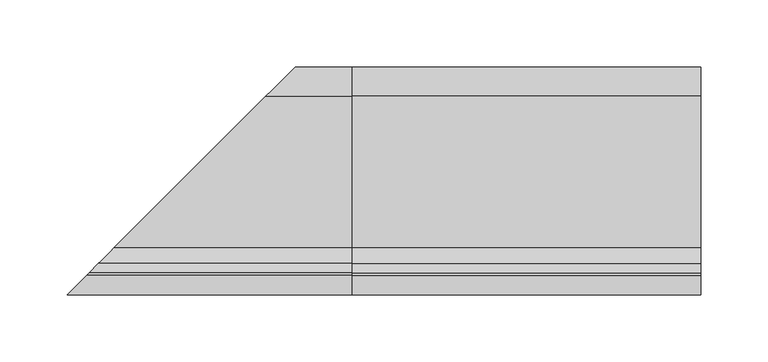
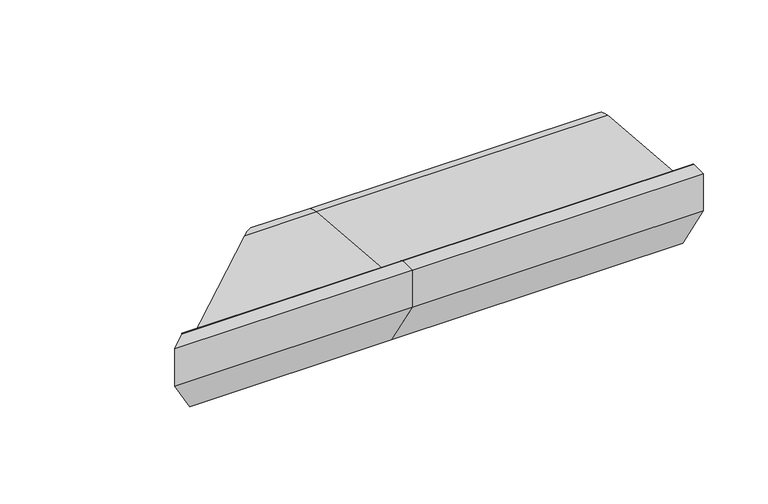
"""IFC4 building model written with IfcOpenShell, lengths in millimetres: proxy geometry."""

from ifc_helpers import new_model, si_unit, point, frame, frame_2d, origin, place, context, project, spatial, polyline, circle_curve, ellipse_curve, trimmed, segment, composite_curve, outline, extrude, source, transform, mapped, element, save
from ifc_brep_helpers import plane_surface, cylinder_surface, revolved_surface, advanced_brep


def generic_models_d56db352(model_context):
    return source(origin(), model_context, "Body", "SolidModel", [
        advanced_brep(
        [(0.0, 28.0858073, 50.4091909), (0.0, -85.0967541, 60.2830933), (0.0, -96.6696696, 68.5358083), (0.0, -103.4717243, 83.8134733), (0.0, -105.2988152, 85.0), (0.0, -120.0, 85.0), (0.0, -120.0, 50.0), (0.0, -88.0, 0.0), (0.0, -76.0, 0.0), (0.0, -75.0, 1.0), (0.0, -75.0, 5.5), (0.0, -73.0, 7.5), (0.0, -35.0, 7.5), (0.0, -33.0, 5.5), (0.0, -33.0, 1.0), (0.0, -32.0, 0.0), (0.0, -0.5773503, 0.0), (0.0, 0.2886751, 0.5), (0.0, 3.7527767, 6.5), (0.0, 5.4848276, 7.5), (0.0, 21.9585481, 7.5), (0.0, 23.6905989, 6.5), (0.0, 25.7072001, 3.0071443), (0.0, 26.5981483, 2.5074549), (0.0, -9.5, 28.9289), (0.0, -9.5, 20.9289), (0.0, -21.5, 20.9289), (0.0, -21.5, 28.9289), (0.0, -51.5, 27.333), (0.0, -39.5, 27.333), (0.0, -84.0, 30.0), (0.0, -72.0, 30.0), (-65.4018517, 26.5981483, 2.5074549), (-63.9141927, 28.0858073, 50.4091909), (-66.2927999, 25.7072001, 3.0071443), (-68.3094011, 23.6905989, 6.5), (-70.0414519, 21.9585481, 7.5), (-86.5151724, 5.4848276, 7.5), (-88.2472233, 3.7527767, 6.5), (-91.7113249, 0.2886751, 0.5), (-92.5773503, -0.5773503, 0.0), (-124.0, -32.0, 0.0), (-125.0, -33.0, 1.0), (-125.0, -33.0, 5.5), (-127.0, -35.0, 7.5), (-165.0, -73.0, 7.5), (-167.0, -75.0, 5.5), (-167.0, -75.0, 1.0), (-168.0, -76.0, 0.0), (-180.0, -88.0, 0.0), (-212.0, -120.0, 50.0), (-212.0, -120.0, 85.0), (-197.2988152, -105.2988152, 85.0), (-195.4717243, -103.4717243, 83.8134733), (-188.6696696, -96.6696696, 68.5358083), (-177.0967541, -85.0967541, 60.2830933), (-113.5, -21.5, 28.9289), (-101.5, -9.5, 28.9289), (-113.5, -21.5, 20.9289), (-101.5, -9.5, 20.9289), (-131.5, -39.5, 27.333), (-143.5, -51.5, 27.333), (-164.0, -72.0, 30.0), (-176.0, -84.0, 30.0)],
        [
            (0, 1),
            (1, 2, circle_curve(frame((0.0, -83.8800332, 74.2301213), z_axis=(-1.0, 0.0, 0.0), x_axis=(0.0, 1.0, 0.0)), 14.0)),
            (2, 3),
            (3, 4, circle_curve(frame((0.0, -105.2988152, 83.0), z_axis=(1.0, 0.0, 0.0), x_axis=(0.0, 1.0, 0.0)), 2.0)),
            (4, 5),
            (5, 6),
            (6, 7),
            (7, 8),
            (8, 9, circle_curve(frame((0.0, -76.0, 1.0), z_axis=(1.0, 0.0, 0.0), x_axis=(0.0, 1.0, 0.0)), 1.0)),
            (9, 10),
            (10, 11, circle_curve(frame((0.0, -73.0, 5.5), z_axis=(-1.0, 0.0, 0.0), x_axis=(0.0, 1.0, 0.0)), 2.0)),
            (11, 12),
            (12, 13, circle_curve(frame((0.0, -35.0, 5.5), z_axis=(-1.0, 0.0, 0.0), x_axis=(0.0, 1.0, 0.0)), 2.0)),
            (13, 14),
            (14, 15, circle_curve(frame((0.0, -32.0, 1.0), z_axis=(1.0, 0.0, 0.0), x_axis=(0.0, 1.0, 0.0)), 1.0)),
            (15, 16),
            (16, 17, circle_curve(frame((0.0, -0.5773503, 1.0), z_axis=(1.0, 0.0, 0.0), x_axis=(0.0, 1.0, 0.0)), 1.0)),
            (17, 18),
            (18, 19, circle_curve(frame((0.0, 5.4848276, 5.5), z_axis=(-1.0, 0.0, 0.0), x_axis=(0.0, 1.0, 0.0)), 2.0)),
            (19, 20),
            (20, 21, circle_curve(frame((0.0, 21.9585481, 5.5), z_axis=(-1.0, 0.0, 0.0), x_axis=(0.0, 1.0, 0.0)), 2.0)),
            (21, 22),
            (22, 23, circle_curve(frame((0.0, 26.5732255, 3.5071443), z_axis=(1.0, 0.0, 0.0), x_axis=(0.0, 1.0, 0.0)), 1.0)),
            (23, 0, circle_curve(frame((0.0, 26.0, 26.5), z_axis=(1.0, 0.0, 0.0), x_axis=(0.0, 1.0, 0.0)), 24.0)),
            (24, 25),
            (25, 26),
            (26, 27),
            (27, 24),
            (28, 29, circle_curve(frame((0.0, -45.5, 27.333), z_axis=(-1.0, 0.0, 0.0), x_axis=(0.0, 1.0, 0.0)), 6.0)),
            (29, 28, circle_curve(frame((0.0, -45.5, 27.333), z_axis=(-1.0, 0.0, 0.0), x_axis=(0.0, 1.0, 0.0)), 6.0)),
            (30, 31, circle_curve(frame((0.0, -78.0, 30.0), z_axis=(-1.0, 0.0, 0.0), x_axis=(0.0, 1.0, 0.0)), 6.0)),
            (31, 30, circle_curve(frame((0.0, -78.0, 30.0), z_axis=(-1.0, 0.0, 0.0), x_axis=(0.0, 1.0, 0.0)), 6.0)),
            (23, 32),
            (32, 33, ellipse_curve(frame((-66.0, 26.0, 26.5), z_axis=(0.7071067811865469, -0.7071067811865482, 0.0), x_axis=(-0.707106781186548, -0.7071067811865469, 0.0)), 33.9411255, 24.0)),
            (33, 0),
            (22, 34),
            (34, 32, ellipse_curve(frame((-65.4267745, 26.5732255, 3.5071443), z_axis=(0.7071067811865469, -0.7071067811865482, 0.0), x_axis=(-0.707106781186548, -0.7071067811865469, 0.0)), 1.4142136, 1.0)),
            (21, 35),
            (35, 34),
            (20, 36),
            (36, 35, ellipse_curve(frame((-70.0414519, 21.9585481, 5.5), z_axis=(-0.7071067811865469, 0.7071067811865482, 0.0), x_axis=(0.707106781186548, 0.7071067811865469, 0.0)), 2.8284271, 2.0)),
            (19, 37),
            (37, 36),
            (18, 38),
            (38, 37, ellipse_curve(frame((-86.5151724, 5.4848276, 5.5), z_axis=(-0.7071067811865469, 0.7071067811865482, 0.0), x_axis=(0.707106781186548, 0.7071067811865469, 0.0)), 2.8284271, 2.0)),
            (17, 39),
            (39, 38),
            (16, 40),
            (40, 39, ellipse_curve(frame((-92.5773503, -0.5773503, 1.0), z_axis=(0.7071067811865469, -0.7071067811865482, 0.0), x_axis=(-0.707106781186548, -0.7071067811865469, 0.0)), 1.4142136, 1.0)),
            (15, 41),
            (41, 40),
            (14, 42),
            (42, 41, ellipse_curve(frame((-124.0, -32.0, 1.0), z_axis=(0.7071067811865469, -0.7071067811865482, 0.0), x_axis=(-0.707106781186548, -0.7071067811865469, 0.0)), 1.4142136, 1.0)),
            (13, 43),
            (43, 42),
            (12, 44),
            (44, 43, ellipse_curve(frame((-127.0, -35.0, 5.5), z_axis=(-0.7071067811865469, 0.7071067811865482, 0.0), x_axis=(0.707106781186548, 0.7071067811865469, 0.0)), 2.8284271, 2.0)),
            (11, 45),
            (45, 44),
            (10, 46),
            (46, 45, ellipse_curve(frame((-165.0, -73.0, 5.5), z_axis=(-0.7071067811865469, 0.7071067811865482, 0.0), x_axis=(0.707106781186548, 0.7071067811865469, 0.0)), 2.8284271, 2.0)),
            (9, 47),
            (47, 46),
            (8, 48),
            (48, 47, ellipse_curve(frame((-168.0, -76.0, 1.0), z_axis=(0.7071067811865469, -0.7071067811865482, 0.0), x_axis=(-0.707106781186548, -0.7071067811865469, 0.0)), 1.4142136, 1.0)),
            (7, 49),
            (49, 48),
            (6, 50),
            (50, 49),
            (5, 51),
            (51, 50),
            (4, 52),
            (52, 51),
            (3, 53),
            (53, 52, ellipse_curve(frame((-197.2988152, -105.2988152, 83.0), z_axis=(0.7071067811865469, -0.7071067811865482, 0.0), x_axis=(-0.707106781186548, -0.7071067811865469, 0.0)), 2.8284271, 2.0)),
            (2, 54),
            (54, 53),
            (1, 55),
            (55, 54, ellipse_curve(frame((-175.8800332, -83.8800332, 74.2301213), z_axis=(-0.7071067811865469, 0.7071067811865482, 0.0), x_axis=(0.707106781186548, 0.7071067811865469, 0.0)), 19.7989899, 14.0)),
            (33, 55),
            (27, 56),
            (56, 57),
            (57, 24),
            (26, 58),
            (58, 56),
            (25, 59),
            (59, 58),
            (57, 59),
            (29, 60),
            (60, 61, ellipse_curve(frame((-137.5, -45.5, 27.333), z_axis=(-0.7071067811865469, 0.7071067811865482, 0.0), x_axis=(0.707106781186548, 0.7071067811865469, 0.0)), 8.4852814, 6.0)),
            (61, 28),
            (61, 60, ellipse_curve(frame((-137.5, -45.5, 27.333), z_axis=(-0.7071067811865469, 0.7071067811865482, 0.0), x_axis=(0.707106781186548, 0.7071067811865469, 0.0)), 8.4852814, 6.0)),
            (31, 62),
            (62, 63, ellipse_curve(frame((-170.0, -78.0, 30.0), z_axis=(-0.7071067811865469, 0.7071067811865482, 0.0), x_axis=(0.707106781186548, 0.7071067811865469, 0.0)), 8.4852814, 6.0)),
            (63, 30),
            (63, 62, ellipse_curve(frame((-170.0, -78.0, 30.0), z_axis=(-0.7071067811865469, 0.7071067811865482, 0.0), x_axis=(0.707106781186548, 0.7071067811865469, 0.0)), 8.4852814, 6.0)),
        ],
        [
            plane_surface(frame((0.0, 0.0, 0.0), z_axis=(1.0, 0.0, 0.0), x_axis=(0.0, 0.0, 1.0))),
            cylinder_surface(frame((-212.0, 26.0, 26.5), z_axis=(-1.0, 0.0, 0.0), x_axis=(0.0, 1.0, 0.0)), 24.0),
            cylinder_surface(frame((-212.0, 26.5732255, 3.5071443), z_axis=(-1.0, 0.0, 0.0), x_axis=(0.0, 1.0, 0.0)), 1.0),
            plane_surface(frame((-212.0, 25.7072001, 3.0071443), z_axis=(0.0, -0.8660254037844404, -0.4999999999999971), x_axis=(1.0, 0.0, 0.0))),
            revolved_surface(polyline([(0.0, 23.9585481, 5.5), (-72.0414518825018, 23.9585481, 5.5)]), (-212.0, 21.9585481, 5.5), (1.0, 0.0, 0.0)),
            plane_surface(frame((-212.0, 21.9585481, 7.5), z_axis=(0.0, 0.0, -1.0), x_axis=(1.0, 0.0, 0.0))),
            revolved_surface(polyline([(0.0, 7.4848276, 5.5), (-88.5151723825018, 7.4848276, 5.5)]), (-212.0, 5.4848276, 5.5), (1.0, 0.0, 0.0)),
            plane_surface(frame((-212.0, 3.7527767, 6.5), z_axis=(0.0, 0.8660254037844436, -0.4999999999999914), x_axis=(1.0, 0.0, 0.0))),
            cylinder_surface(frame((-212.0, -0.5773503, 1.0), z_axis=(-1.0, 0.0, 0.0), x_axis=(0.0, 1.0, 0.0)), 1.0),
            plane_surface(frame((-212.0, -0.5773503, 0.0), z_axis=(0.0, 0.0, -1.0), x_axis=(1.0, 0.0, 0.0))),
            cylinder_surface(frame((-212.0, -32.0, 1.0), z_axis=(-1.0, 0.0, 0.0), x_axis=(0.0, 1.0, 0.0)), 1.0),
            plane_surface(frame((-212.0, -33.0, 1.0), z_axis=(0.0, -1.0, 0.0), x_axis=(1.0, 0.0, 0.0))),
            revolved_surface(polyline([(0.0, -33.0, 5.5), (-128.9999999825018, -33.0, 5.5)]), (-212.0, -35.0, 5.5), (1.0, 0.0, 0.0)),
            plane_surface(frame((-212.0, -35.0, 7.5), z_axis=(0.0, 0.0, -1.0), x_axis=(1.0, 0.0, 0.0))),
            revolved_surface(polyline([(0.0, -71.0, 5.5), (-167.0, -71.0, 5.5)]), (-212.0, -73.0, 5.5), (1.0, 0.0, 0.0)),
            plane_surface(frame((-212.0, -75.0, 5.5), z_axis=(0.0, 1.0, 0.0), x_axis=(1.0, 0.0, 0.0))),
            cylinder_surface(frame((-212.0, -76.0, 1.0), z_axis=(-1.0, 0.0, 0.0), x_axis=(0.0, 1.0, 0.0)), 1.0),
            plane_surface(frame((-212.0, -76.0, 0.0), z_axis=(0.0, 0.0, -1.0), x_axis=(1.0, 0.0, 0.0))),
            plane_surface(frame((-212.0, -88.0, 0.0), z_axis=(0.0, -0.8422714006615114, -0.5390536964233673), x_axis=(1.0, 0.0, 0.0))),
            plane_surface(frame((-212.0, -120.0, 50.0), z_axis=(0.0, -1.0, 0.0), x_axis=(1.0, 0.0, 0.0))),
            plane_surface(frame((-212.0, -120.0, 85.0), z_axis=(0.0, 0.0, 1.0), x_axis=(1.0, 0.0, 0.0))),
            cylinder_surface(frame((-212.0, -105.2988152, 83.0), z_axis=(-1.0, 0.0, 0.0), x_axis=(0.0, 1.0, 0.0)), 2.0),
            plane_surface(frame((-212.0, -103.4717243, 83.8134733), z_axis=(0.0, 0.9135454576426015, 0.406736643075799), x_axis=(1.0, 0.0, 0.0))),
            revolved_surface(polyline([(0.0, -69.8800332, 74.2301213), (-189.880033218934, -69.8800332, 74.2301213)]), (-212.0, -83.8800332, 74.2301213), (1.0, 0.0, 0.0)),
            plane_surface(frame((-212.0, -85.0967541, 60.2830933), z_axis=(0.0, 0.08690863944627715, 0.9962162859487879), x_axis=(1.0, 0.0, 0.0))),
            plane_surface(frame((-212.0, -9.5, 28.9289), z_axis=(0.0, 0.0, -1.0), x_axis=(1.0, 0.0, 0.0))),
            plane_surface(frame((-212.0, -21.5, 28.9289), z_axis=(0.0, 1.0, 0.0), x_axis=(1.0, 0.0, 0.0))),
            plane_surface(frame((-212.0, -21.5, 20.9289), z_axis=(0.0, 0.0, 1.0), x_axis=(1.0, 0.0, 0.0))),
            plane_surface(frame((-212.0, -9.5, 20.9289), z_axis=(0.0, -1.0, 0.0), x_axis=(1.0, 0.0, 0.0))),
            revolved_surface(polyline([(0.0, -39.5, 27.333), (-143.5000000182161, -39.5, 27.333)]), (-212.0, -45.5, 27.333), (1.0, 0.0, 0.0)),
            revolved_surface(polyline([(0.0, -72.0, 30.0), (-176.0000000182161, -72.0, 30.0)]), (-212.0, -78.0, 30.0), (1.0, 0.0, 0.0)),
            plane_surface(frame((-13.7157288, 78.2842712, 110.0), z_axis=(-0.7071067811865469, 0.7071067811865482, 0.0), x_axis=(-0.7071067811865482, -0.7071067811865469, 0.0))),
        ],
        [
            (0, [[1, 2, 3, 4, 5, 6, 7, 8, 9, 10, 11, 12, 13, 14, 15, 16, 17, 18, 19, 20, 21, 22, 23, 24], [25, 26, 27, 28], [29, 30], [31, 32]]),
            (1, [[-24, 33, 34, 35]]),
            (2, [[-23, 36, 37, -33]]),
            (3, [[-22, 38, 39, -36]]),
            (4, [[-21, 40, 41, -38]]),
            (5, [[-20, 42, 43, -40]]),
            (6, [[-19, 44, 45, -42]]),
            (7, [[-18, 46, 47, -44]]),
            (8, [[-17, 48, 49, -46]]),
            (9, [[-16, 50, 51, -48]]),
            (10, [[-15, 52, 53, -50]]),
            (11, [[-14, 54, 55, -52]]),
            (12, [[-13, 56, 57, -54]]),
            (13, [[-12, 58, 59, -56]]),
            (14, [[-11, 60, 61, -58]]),
            (15, [[-10, 62, 63, -60]]),
            (16, [[-9, 64, 65, -62]]),
            (17, [[-8, 66, 67, -64]]),
            (18, [[-7, 68, 69, -66]]),
            (19, [[-6, 70, 71, -68]]),
            (20, [[-5, 72, 73, -70]]),
            (21, [[-4, 74, 75, -72]]),
            (22, [[-3, 76, 77, -74]]),
            (23, [[-2, 78, 79, -76]]),
            (24, [[-1, -35, 80, -78]]),
            (25, [[-28, 81, 82, 83]]),
            (26, [[-27, 84, 85, -81]]),
            (27, [[-26, 86, 87, -84]]),
            (28, [[-25, -83, 88, -86]]),
            (29, [[-30, 89, 90, 91]]),
            (29, [[-29, -91, 92, -89]]),
            (30, [[-32, 93, 94, 95]]),
            (30, [[-31, -95, 96, -93]]),
            (31, [[-34, -37, -39, -41, -43, -45, -47, -49, -51, -53, -55, -57, -59, -61, -63, -65, -67, -69, -71, -73, -75, -77, -79, -80], [-82, -85, -87, -88], [-90, -92], [-94, -96]]),
        ],
    ),
        extrude(outline(composite_curve([segment(trimmed(circle_curve(frame_2d((26.0, 26.5)), 24.0), [point((28.0858073, 50.4091909))], [point((26.5981483, 2.5074549))], False, "CARTESIAN"), True, "CONTINUOUS"), segment(trimmed(circle_curve(frame_2d((26.5732255, 3.5071443)), 1.0), [point((26.5981483, 2.5074549))], [point((25.7072001, 3.0071443))], False, "CARTESIAN"), True, "CONTINUOUS"), segment(polyline([(25.7072001, 3.0071443), (23.6905989, 6.5)]), True, "CONTINUOUS"), segment(trimmed(circle_curve(frame_2d((21.9585481, 5.5)), 2.0), [point((23.6905989, 6.5))], [point((21.9585481, 7.5))], True, "CARTESIAN"), True, "CONTINUOUS"), segment(polyline([(21.9585481, 7.5), (5.4848276, 7.5)]), True, "CONTINUOUS"), segment(trimmed(circle_curve(frame_2d((5.4848276, 5.5)), 2.0), [point((5.4848276, 7.5))], [point((3.7527767, 6.5))], True, "CARTESIAN"), True, "CONTINUOUS"), segment(polyline([(3.7527767, 6.5), (0.2886751, 0.5)]), True, "CONTINUOUS"), segment(trimmed(circle_curve(frame_2d((-0.5773503, 1.0)), 1.0), [point((0.2886751, 0.5))], [point((-0.5773503, 0.0))], False, "CARTESIAN"), True, "CONTINUOUS"), segment(polyline([(-0.5773503, 0.0), (-32.0, 0.0)]), True, "CONTINUOUS"), segment(trimmed(circle_curve(frame_2d((-32.0, 1.0)), 1.0), [point((-32.0, 0.0))], [point((-33.0, 1.0))], False, "CARTESIAN"), True, "CONTINUOUS"), segment(polyline([(-33.0, 1.0), (-33.0, 5.5)]), True, "CONTINUOUS"), segment(trimmed(circle_curve(frame_2d((-35.0, 5.5)), 2.0), [point((-33.0, 5.5))], [point((-35.0, 7.5))], True, "CARTESIAN"), True, "CONTINUOUS"), segment(polyline([(-35.0, 7.5), (-73.0, 7.5)]), True, "CONTINUOUS"), segment(trimmed(circle_curve(frame_2d((-73.0, 5.5)), 2.0), [point((-73.0, 7.5))], [point((-75.0, 5.5))], True, "CARTESIAN"), True, "CONTINUOUS"), segment(polyline([(-75.0, 5.5), (-75.0, 1.0)]), True, "CONTINUOUS"), segment(trimmed(circle_curve(frame_2d((-76.0, 1.0)), 1.0), [point((-75.0, 1.0))], [point((-76.0, 0.0))], False, "CARTESIAN"), True, "CONTINUOUS"), segment(polyline([(-76.0, 0.0), (-88.0, 0.0), (-120.0, 50.0), (-120.0, 85.0), (-105.2988152, 85.0)]), True, "CONTINUOUS"), segment(trimmed(circle_curve(frame_2d((-105.2988152, 83.0)), 2.0), [point((-105.2988152, 85.0))], [point((-103.4717243, 83.8134733))], False, "CARTESIAN"), True, "CONTINUOUS"), segment(polyline([(-103.4717243, 83.8134733), (-96.6696696, 68.5358083)]), True, "CONTINUOUS"), segment(trimmed(circle_curve(frame_2d((-83.8800332, 74.2301213)), 14.0), [point((-96.6696696, 68.5358083))], [point((-85.0967541, 60.2830933))], True, "CARTESIAN"), True, "CONTINUOUS"), segment(polyline([(-85.0967541, 60.2830933), (28.0858073, 50.4091909)]), True, "CONTINUOUS")], self_intersect=False), holes=[polyline([(-9.5, 28.9289), (-21.5, 28.9289), (-21.5, 20.9289), (-9.5, 20.9289), (-9.5, 28.9289)]), composite_curve([segment(trimmed(circle_curve(frame_2d((-45.5, 27.333)), 6.0), [point((-51.5, 27.333))], [point((-39.5, 27.333))], True, "CARTESIAN"), True, "CONTINUOUS"), segment(trimmed(circle_curve(frame_2d((-45.5, 27.333)), 6.0), [point((-39.5, 27.333))], [point((-51.5, 27.333))], True, "CARTESIAN"), True, "CONTINUOUS")], self_intersect=False), composite_curve([segment(trimmed(circle_curve(frame_2d((-78.0, 30.0)), 6.0), [point((-84.0, 30.0))], [point((-72.0, 30.0))], True, "CARTESIAN"), True, "CONTINUOUS"), segment(trimmed(circle_curve(frame_2d((-78.0, 30.0)), 6.0), [point((-72.0, 30.0))], [point((-84.0, 30.0))], True, "CARTESIAN"), True, "CONTINUOUS")], self_intersect=False)]), frame((0.0, 0.0, 0.0), z_axis=(1.0, 0.0, 0.0), x_axis=(0.0, 1.0, 0.0)), (0.0, 0.0, 1.0), 260.0),
    ])


if __name__ == "__main__":
    model = new_model("IFC4")
    model_context = context("Model", 3, world=origin())
    ifc_project = project(units=[si_unit("LENGTHUNIT", "METRE", prefix="MILLI")], contexts=[model_context])
    site = spatial("IfcSite", under=ifc_project)
    building = spatial("IfcBuilding", under=site)
    placement = place(None, origin())
    generic_models_shape = generic_models_d56db352(model_context)
    element("IfcBuildingElementProxy", 1, Name="Generic Models", at=placement, inside=building, context=model_context, shape_type="MappedRepresentation", body=[
        mapped(generic_models_shape, transform((0.0, 0.0, 0.0), x_axis=(1.0, 0.0, 0.0), y_axis=(0.0, 1.0, 0.0), z_axis=(0.0, 0.0, 1.0))),
    ])
    save(model, "model.ifc")
